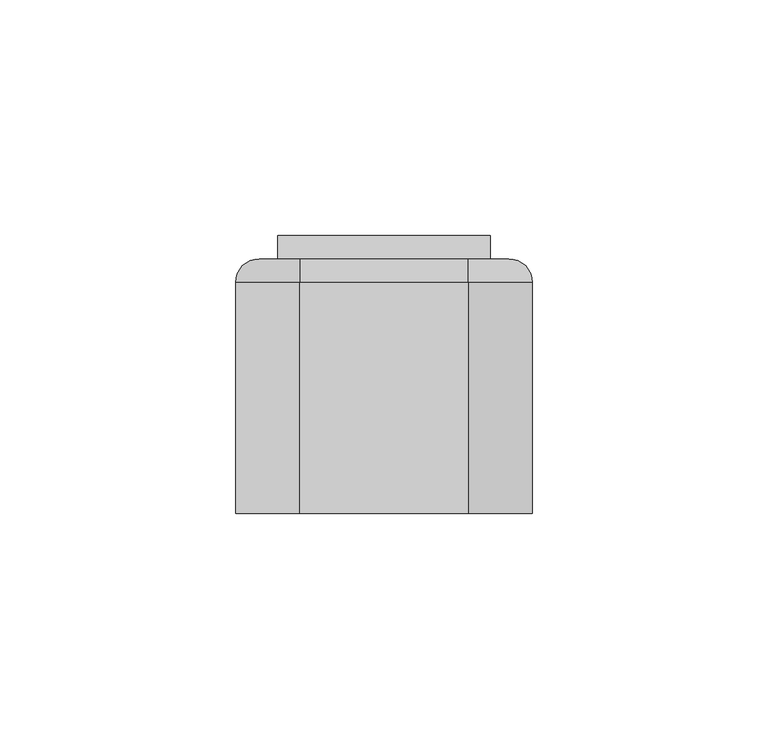
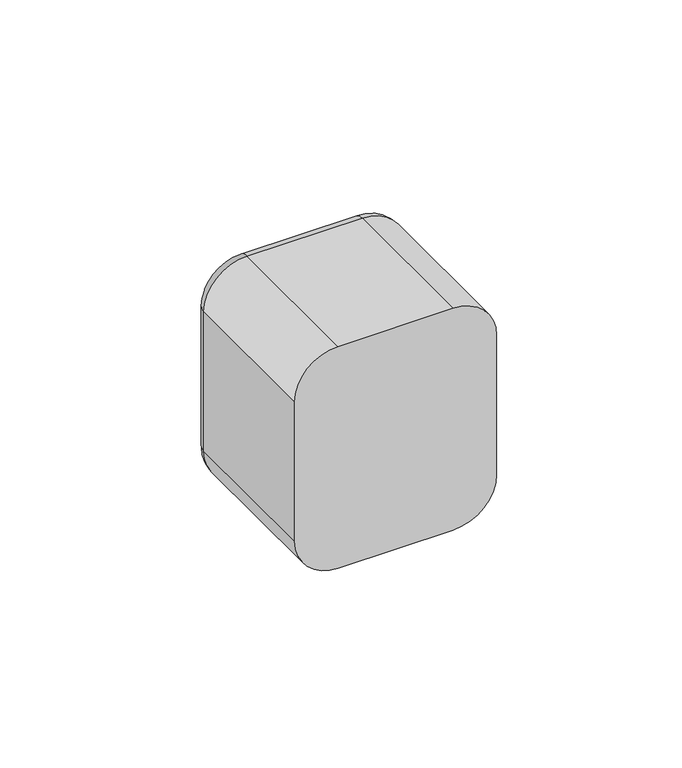
"""IFC4 building model written with IfcOpenShell, lengths in millimetres: switching device geometry."""

from ifc_helpers import new_model, si_unit, point, frame, origin, place, context, project, spatial, polyline, circle_curve, ellipse_curve, trimmed, outline, extrude, faceted_brep, source, transform, mapped, element, save
from ifc_brep_helpers import plane_surface, cylinder_surface, revolved_surface, advanced_brep


def switching_device_4599c0c2(model_context):
    return source(origin(), model_context, "Body", "SolidModel", [
        advanced_brep(
        [(17.9328665, 54.0, 31.5), (26.5, 54.0, 22.9328665), (26.5, 54.0, -22.9328665), (17.9328665, 54.0, -31.5), (-17.9328665, 54.0, -31.5), (-26.5, 54.0, -22.9328665), (-26.5, 54.0, 22.9328665), (-17.9328665, 54.0, 31.5), (22.5, 54.0, 22.5), (-22.5, 54.0, 22.5), (-22.5, 54.0, -22.5), (22.5, 54.0, -22.5), (-17.9328665, 0.0, 36.5), (-31.5, 0.0, 22.9328665), (-31.5, 0.0, -22.9328665), (-17.9328665, 0.0, -36.5), (17.9328665, 0.0, -36.5), (31.5, 0.0, -22.9328665), (31.5, 0.0, 22.9328665), (17.9328665, 0.0, 36.5), (22.5, 2.0, -22.5), (22.5, 2.0, 22.5), (-22.5, 2.0, -22.5), (-22.5, 2.0, 22.5), (-31.5, 49.0, 22.9328665), (-31.5, 49.0, -22.9328665), (-17.9328665, 49.0, -36.5), (17.9328665, 49.0, -36.5), (31.5, 49.0, -22.9328665), (31.5, 49.0, 22.9328665), (17.9328665, 49.0000072, 36.5), (-17.9328665, 49.0, 36.5)],
        [
            (0, 1, circle_curve(frame((17.9328665, 54.0, 22.9328665), z_axis=(0.0, 1.0, 0.0), x_axis=(0.0, 0.0, 1.0)), 8.5671335)),
            (1, 2),
            (2, 3, circle_curve(frame((17.9328665, 54.0, -22.9328665), z_axis=(0.0, 1.0, 0.0), x_axis=(1.0, 0.0, 0.0)), 8.5671335)),
            (3, 4),
            (4, 5, circle_curve(frame((-17.9328665, 54.0, -22.9328665), z_axis=(0.0, 1.0, 0.0), x_axis=(0.0, 0.0, -1.0)), 8.5671335)),
            (5, 6),
            (6, 7, circle_curve(frame((-17.9328665, 54.0, 22.9328665), z_axis=(0.0, 1.0, 0.0), x_axis=(-1.0, 0.0, 0.0)), 8.5671335)),
            (7, 0),
            (8, 9),
            (9, 10),
            (10, 11),
            (11, 8),
            (12, 13, circle_curve(frame((-17.9328665, 0.0, 22.9328665), z_axis=(0.0, -1.0, 0.0), x_axis=(1.0, 0.0, 0.0)), 13.5671335)),
            (13, 14),
            (14, 15, circle_curve(frame((-17.9328665, 0.0, -22.9328665), z_axis=(0.0, -1.0, 0.0), x_axis=(1.0, 0.0, 0.0)), 13.5671335)),
            (15, 16),
            (16, 17, circle_curve(frame((17.9328665, 0.0, -22.9328665), z_axis=(0.0, -1.0, 0.0), x_axis=(1.0, 0.0, 0.0)), 13.5671335)),
            (17, 18),
            (18, 19, circle_curve(frame((17.9328665, 0.0, 22.9328665), z_axis=(0.0, -1.0, 0.0), x_axis=(1.0, 0.0, 0.0)), 13.5671335)),
            (19, 12),
            (11, 20),
            (20, 21),
            (21, 8),
            (10, 22),
            (22, 20),
            (9, 23),
            (23, 22),
            (21, 23),
            (13, 24),
            (24, 25),
            (25, 14),
            (15, 26),
            (26, 27),
            (27, 16),
            (17, 28),
            (28, 29),
            (29, 18),
            (19, 30),
            (30, 31),
            (31, 12),
            (31, 24, circle_curve(frame((-17.9328665, 49.0, 22.9328665), z_axis=(0.0, -1.0, 0.0), x_axis=(1.0, 0.0, 0.0)), 13.5671335)),
            (25, 26, circle_curve(frame((-17.9328665, 49.0, -22.9328665), z_axis=(0.0, -1.0, 0.0), x_axis=(1.0, 0.0, 0.0)), 13.5671335)),
            (27, 28, circle_curve(frame((17.9328665, 49.0, -22.9328665), z_axis=(0.0, -1.0, 0.0), x_axis=(1.0, 0.0, 0.0)), 13.5671335)),
            (29, 30, circle_curve(frame((17.9328665, 49.0, 22.9328665), z_axis=(0.0, -1.0, 0.0), x_axis=(1.0, 0.0, 0.0)), 13.5671335)),
            (29, 1, circle_curve(frame((26.5, 49.0, 22.9328665), z_axis=(0.0, 0.0, 1.0), x_axis=(0.0, 1.0, 0.0)), 5.0)),
            (0, 30, circle_curve(frame((17.9328665, 49.0, 31.5), z_axis=(1.0, 0.0, 0.0), x_axis=(0.0, 1.0, 0.0)), 5.0)),
            (28, 2, circle_curve(frame((26.5, 49.0, -22.9328665), z_axis=(0.0, 0.0, 1.0), x_axis=(0.0, 1.0, 0.0)), 5.0)),
            (27, 3, circle_curve(frame((17.9328665, 49.0, -31.5), z_axis=(1.0, 0.0, 0.0), x_axis=(0.0, 1.0, 0.0)), 5.0)),
            (26, 4, circle_curve(frame((-17.9328665, 49.0, -31.5), z_axis=(1.0, 0.0, 0.0), x_axis=(0.0, 1.0, 0.0)), 5.0)),
            (25, 5, circle_curve(frame((-26.5, 49.0, -22.9328665), z_axis=(0.0, 0.0, -1.0), x_axis=(0.0, 1.0, 0.0)), 5.0)),
            (24, 6, circle_curve(frame((-26.5, 49.0, 22.9328665), z_axis=(0.0, 0.0, -1.0), x_axis=(0.0, 1.0, 0.0)), 5.0)),
            (31, 7, circle_curve(frame((-17.9328665, 49.0, 31.5), z_axis=(-1.0, 0.0, 0.0), x_axis=(0.0, 1.0, 0.0)), 5.0)),
        ],
        [
            plane_surface(frame((22.5, 54.0, 6.9412233), z_axis=(0.0, 1.0, 0.0), x_axis=(0.0, 0.0, 1.0))),
            plane_surface(frame((22.5, 0.0, 6.9412233), z_axis=(0.0, -1.0, 0.0), x_axis=(0.0, 0.0, -1.0))),
            plane_surface(frame((22.5, 0.0, 22.5), z_axis=(-1.0, 0.0, 0.0), x_axis=(0.0, 1.0, 0.0))),
            plane_surface(frame((22.5, 0.0, -22.5), z_axis=(0.0, 0.0, 1.0), x_axis=(0.0, 1.0, 0.0))),
            plane_surface(frame((-22.5, 0.0, -22.5), z_axis=(1.0, 0.0, 0.0), x_axis=(0.0, 1.0, 0.0))),
            plane_surface(frame((-22.5, 0.0, 22.5), z_axis=(0.0, 0.0, -1.0), x_axis=(0.0, 1.0, 0.0))),
            plane_surface(frame((-31.5, 0.0, 22.9328665), z_axis=(-1.0, 0.0, 0.0), x_axis=(0.0, 1.0, 0.0))),
            plane_surface(frame((-17.9328665, 0.0, -36.5), z_axis=(0.0, 0.0, -1.0), x_axis=(0.0, 1.0, 0.0))),
            plane_surface(frame((31.5, 0.0, -22.9328665), z_axis=(1.0, 0.0, 0.0), x_axis=(0.0, 1.0, 0.0))),
            plane_surface(frame((17.9328665, 0.0, 36.5), z_axis=(0.0, 0.0, 1.0), x_axis=(0.0, 1.0, 0.0))),
            cylinder_surface(frame((-17.9328665, 0.0, 22.9328665), z_axis=(0.0, -1.0, 0.0), x_axis=(1.0, 0.0, 0.0)), 13.5671335),
            cylinder_surface(frame((-17.9328665, 0.0, -22.9328665), z_axis=(0.0, -1.0, 0.0), x_axis=(1.0, 0.0, 0.0)), 13.5671335),
            cylinder_surface(frame((17.9328665, 0.0, -22.9328665), z_axis=(0.0, -1.0, 0.0), x_axis=(1.0, 0.0, 0.0)), 13.5671335),
            cylinder_surface(frame((17.9328665, 0.0, 22.9328665), z_axis=(0.0, -1.0, 0.0), x_axis=(1.0, 0.0, 0.0)), 13.5671335),
            plane_surface(frame((-22.5, 2.0, 31.0), z_axis=(0.0, 1.0, 0.0), x_axis=(0.0, 0.0, 1.0))),
            revolved_surface(trimmed(ellipse_curve(frame((17.9328665, 49.0, 31.5), z_axis=(-1.0, 0.0, 0.0), x_axis=(0.0, 1.0, 0.0)), 5.0, 5.0), [point((17.9328665, 49.0, 36.5))], [point((17.9328665, 54.0, 31.5))], True, "CARTESIAN"), (17.9328665, 54.0, 22.9328665), (0.0, 1.0, 0.0)),
            cylinder_surface(frame((26.5, 49.0, 22.9328665), z_axis=(0.0, 0.0, -1.0), x_axis=(0.0, 1.0, 0.0)), 5.0),
            revolved_surface(trimmed(ellipse_curve(frame((26.5, 49.0, -22.9328665), z_axis=(0.0, 0.0, 1.0), x_axis=(0.0, 1.0, 0.0)), 5.0, 5.0), [point((31.5, 49.0, -22.9328665))], [point((26.5, 54.0, -22.9328665))], True, "CARTESIAN"), (17.9328665, 54.0, -22.9328665), (0.0, 1.0, 0.0)),
            cylinder_surface(frame((17.9328665, 49.0, -31.5), z_axis=(-1.0, 0.0, 0.0), x_axis=(0.0, 1.0, 0.0)), 5.0),
            revolved_surface(trimmed(ellipse_curve(frame((-17.9328665, 49.0, -31.5), z_axis=(1.0, 0.0, 0.0), x_axis=(0.0, 1.0, 0.0)), 5.0, 5.0), [point((-17.9328665, 49.0, -36.5))], [point((-17.9328665, 54.0, -31.5))], True, "CARTESIAN"), (-17.9328665, 54.0, -22.9328665), (0.0, 1.0, 0.0)),
            cylinder_surface(frame((-26.5, 49.0, -22.9328665), z_axis=(0.0, 0.0, 1.0), x_axis=(0.0, 1.0, 0.0)), 5.0),
            revolved_surface(trimmed(ellipse_curve(frame((-26.5, 49.0, 22.9328665), z_axis=(0.0, 0.0, -1.0), x_axis=(0.0, 1.0, 0.0)), 5.0, 5.0), [point((-31.5, 49.0, 22.9328665))], [point((-26.5, 54.0, 22.9328665))], True, "CARTESIAN"), (-17.9328665, 54.0, 22.9328665), (0.0, 1.0, 0.0)),
            cylinder_surface(frame((-17.9328665, 49.0, 31.5), z_axis=(1.0, 0.0, 0.0), x_axis=(0.0, 1.0, 0.0)), 5.0),
        ],
        [
            (0, [[1, 2, 3, 4, 5, 6, 7, 8], [9, 10, 11, 12]]),
            (1, [[13, 14, 15, 16, 17, 18, 19, 20]]),
            (2, [[-12, 21, 22, 23]]),
            (3, [[-11, 24, 25, -21]]),
            (4, [[-10, 26, 27, -24]]),
            (5, [[-9, -23, 28, -26]]),
            (6, [[-14, 29, 30, 31]]),
            (7, [[-16, 32, 33, 34]]),
            (8, [[-18, 35, 36, 37]]),
            (9, [[-20, 38, 39, 40]]),
            (10, [[-13, -40, 41, -29]]),
            (11, [[-15, -31, 42, -32]]),
            (12, [[-17, -34, 43, -35]]),
            (13, [[-19, -37, 44, -38]]),
            (14, [[-22, -25, -27, -28]]),
            (15, [[45, -1, 46, -44]]),
            (16, [[-45, -36, 47, -2]]),
            (17, [[-47, -43, 48, -3]]),
            (18, [[-48, -33, 49, -4]]),
            (19, [[-49, -42, 50, -5]]),
            (20, [[-50, -30, 51, -6]]),
            (21, [[-51, -41, 52, -7]]),
            (22, [[-46, -8, -52, -39]]),
        ],
    ),
        extrude(outline(polyline([(0.0, -2.0), (0.0, 0.0), (0.9999999, 0.0), (0.9999999, -2.0), (0.0, -2.0)])), frame((1.0, 56.2452249, -2.4844182), z_axis=(0.0, 0.11147470448260206, 0.9937672716790972), x_axis=(0.0, -0.9937672716790972, 0.11147470448260206)), (0.0, 0.0, 1.0), 5.0),
        faceted_brep([(22.5, 54.0, -22.5), (22.5, 58.9850961, 21.9408026), (22.5, 54.0, 22.5), (-22.5, 54.0, -22.5), (-22.5, 54.0, 22.5), (-22.5, 58.9850961, 21.9408026), (1.0, 56.2452249, -2.4844182), (1.0, 56.8025985, 2.4844182), (-1.0, 56.8025985, 2.4844182), (-1.0, 56.2452249, -2.4844182), (1.0, 55.2514577, -2.3729435), (-1.0, 55.2514577, -2.3729435), (-1.0, 55.8088312, 2.5958929), (1.0, 55.8088312, 2.5958929)], [[[0, 1, 2]], [[3, 4, 5]], [[1, 0, 3, 5], [6, 7, 8, 9]], [[2, 1, 5, 4]], [[0, 2, 4, 3]], [[10, 11, 12, 13]], [[10, 13, 7, 6]], [[13, 12, 8, 7]], [[12, 11, 9, 8]], [[11, 10, 6, 9]]]),
        extrude(outline(polyline([(22.5, 2.0), (-22.5, 2.0), (-22.5, 46.0), (22.5, 46.0), (22.5, 2.0)])), frame((0.0, 0.0, -22.5), z_axis=(0.0, 0.0, 1.0), x_axis=(1.0, 0.0, 0.0)), (0.0, 0.0, 1.0), 45.0),
        extrude(outline(polyline([(22.5, 46.0), (-22.5, 46.0), (-22.5, 54.0), (22.5, 54.0), (22.5, 46.0)])), frame((0.0, 0.0, -22.5), z_axis=(0.0, 0.0, 1.0), x_axis=(1.0, 0.0, 0.0)), (0.0, 0.0, 1.0), 45.0),
    ])


if __name__ == "__main__":
    model = new_model("IFC4")
    model_context = context("Model", 3, world=origin())
    ifc_project = project(units=[si_unit("LENGTHUNIT", "METRE", prefix="MILLI")], contexts=[model_context])
    site = spatial("IfcSite", under=ifc_project)
    building = spatial("IfcBuilding", under=site)
    placement = place(None, origin())
    switching_device_shape = switching_device_4599c0c2(model_context)
    element("IfcSwitchingDevice", 1, at=placement, inside=building, context=model_context, shape_type="MappedRepresentation", body=[
        mapped(switching_device_shape, transform((0.0, 0.0, 0.0), x_axis=(1.0, 0.0, 0.0), y_axis=(0.0, 1.0, 0.0), z_axis=(0.0, 0.0, 1.0))),
    ])
    save(model, "model.ifc")
